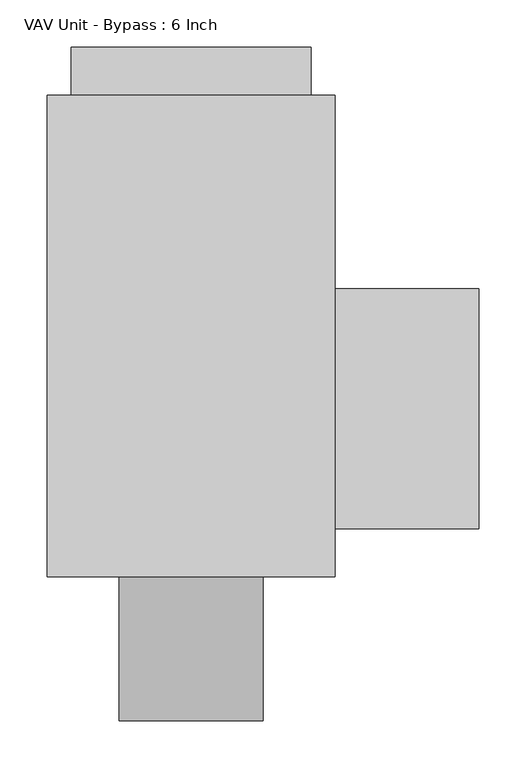
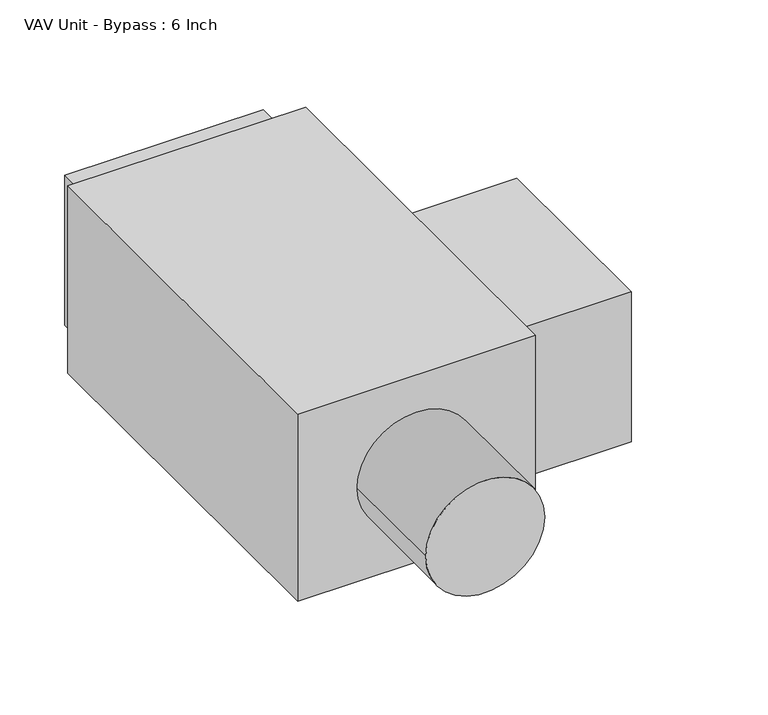
"""IFC4 building model written with IfcOpenShell, lengths in millimetres: proxy geometry, VAV Unit - Bypass : 6 Inch."""

from ifc_helpers import new_model, si_unit, point, frame, origin, origin_2d, place, context, project, spatial, polyline, circle_curve, trimmed, segment, composite_curve, outline, extrude, source, transform, mapped, element, save


def vav_unit_bypass_6_inch_41d39e80(model_context):
    return source(origin(), model_context, "Body", "SweptSolid", [
        extrude(outline(polyline([(304.8, -203.99375), (152.4, -203.99375), (152.4, 50.00625), (304.8, 50.00625), (304.8, -203.99375)])), frame((0.0, 0.0, -101.6), z_axis=(0.0, 0.0, 1.0), x_axis=(1.0, 0.0, 0.0)), (0.0, 0.0, 1.0), 203.2),
        extrude(outline(composite_curve([segment(trimmed(circle_curve(origin_2d(), 76.2), [point((0.0, -76.2))], [point((0.0, 76.2))], False, "CARTESIAN"), True, "CONTINUOUS"), segment(trimmed(circle_curve(origin_2d(), 76.2), [point((0.0, 76.2))], [point((0.0, -76.2))], False, "CARTESIAN"), True, "CONTINUOUS")], self_intersect=False)), frame((0.0, -407.19375, 0.0), z_axis=(0.0, 1.0, 0.0), x_axis=(0.0, 0.0, 1.0)), (0.0, 0.0, 1.0), 152.4),
        extrude(outline(polyline([(127.0, 305.59375), (127.0, 254.79375), (-127.0, 254.79375), (-127.0, 305.59375), (127.0, 305.59375)])), frame((0.0, 0.0, -101.6), z_axis=(0.0, 0.0, 1.0), x_axis=(1.0, 0.0, 0.0)), (0.0, 0.0, 1.0), 203.2),
        extrude(outline(polyline([(152.4, 254.79375), (152.4, -254.79375), (-152.4, -254.79375), (-152.4, 254.79375), (152.4, 254.79375)])), frame((0.0, 0.0, -127.0), z_axis=(0.0, 0.0, 1.0), x_axis=(1.0, 0.0, 0.0)), (0.0, 0.0, 1.0), 254.0),
    ])


if __name__ == "__main__":
    model = new_model("IFC4")
    model_context = context("Model", 3, world=origin())
    ifc_project = project(units=[si_unit("LENGTHUNIT", "METRE", prefix="MILLI")], contexts=[model_context])
    site = spatial("IfcSite", under=ifc_project)
    building = spatial("IfcBuilding", under=site)
    placement = place(None, origin())
    vav_unit_bypass_6_inch_shape = vav_unit_bypass_6_inch_41d39e80(model_context)
    element("IfcBuildingElementProxy", 1, Name="VAV Unit - Bypass : 6 Inch", ObjectType="VAV Unit - Bypass : 6 Inch", at=placement, inside=building, context=model_context, shape_type="MappedRepresentation", body=[
        mapped(vav_unit_bypass_6_inch_shape, transform((0.0, 0.0, 0.0), x_axis=(1.0, 0.0, 0.0), y_axis=(0.0, 1.0, 0.0), z_axis=(0.0, 0.0, 1.0))),
    ])
    save(model, "model.ifc")
